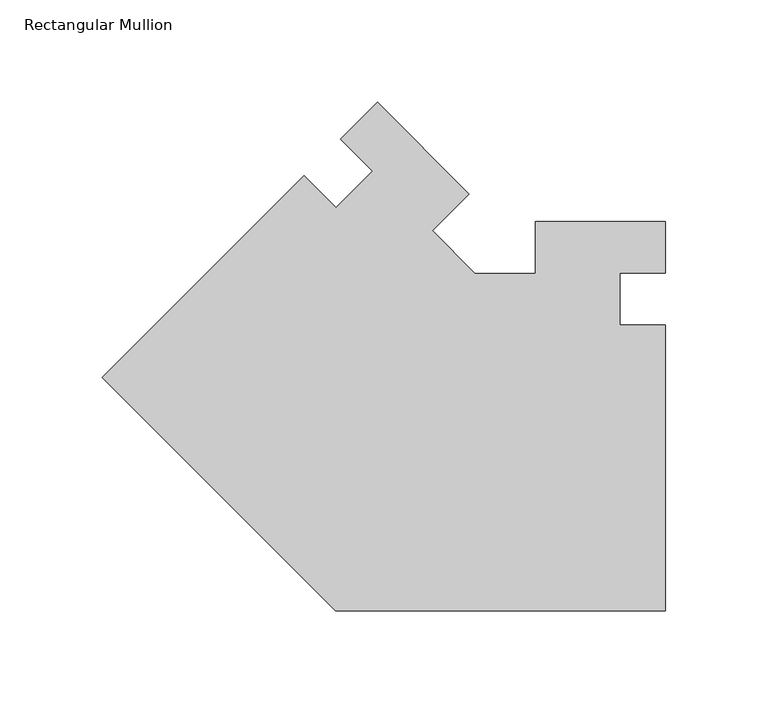
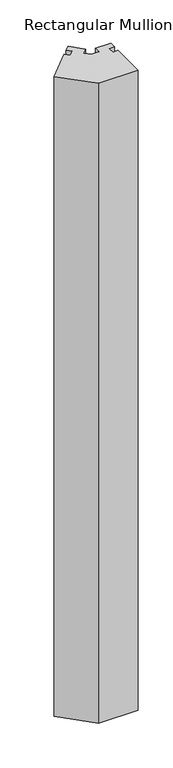
"""IFC4 building model written with IfcOpenShell, lengths in millimetres: member geometry, Rectangular Mullion."""

from ifc_helpers import new_model, si_unit, frame, origin, place, context, project, spatial, polyline, outline, extrude, source, transform, mapped, element, save


def rectangular_mullion_c8d6c163(model_context):
    return source(origin(), model_context, "Body", "SweptSolid", [
        extrude(outline(polyline([(-161.4576532, -248.7014798), (-275.6254914, -134.5336416), (-176.8426853, -35.7508355), (-161.1273172, -51.4662037), (-143.1929646, -33.5318511), (-158.9083327, -17.8164829), (-140.9216648, 0.170185), (-96.0203842, -44.7310956), (-113.9808964, -62.6916079), (-93.0710245, -83.6014798), (-63.5, -83.6014798), (-63.5, -58.2014742), (0.0, -58.2014742), (0.0, -83.590606), (-22.2248868, -83.590606), (-22.2248868, -109.0014742), (0.0, -109.0014742), (0.0, -248.7014798), (-161.4576532, -248.7014798)])), frame((0.0, 0.0, -2743.2), z_axis=(0.0, 0.0, 1.0), x_axis=(1.0, 0.0, 0.0)), (0.0, 0.0, 1.0), 2743.2),
    ])


if __name__ == "__main__":
    model = new_model("IFC4")
    model_context = context("Model", 3, world=origin())
    ifc_project = project(units=[si_unit("LENGTHUNIT", "METRE", prefix="MILLI")], contexts=[model_context])
    site = spatial("IfcSite", under=ifc_project)
    building = spatial("IfcBuilding", under=site)
    placement = place(None, origin())
    rectangular_mullion_shape = rectangular_mullion_c8d6c163(model_context)
    element("IfcMember", 1, ObjectType="Rectangular Mullion", at=placement, inside=building, context=model_context, shape_type="MappedRepresentation", body=[
        mapped(rectangular_mullion_shape, transform((0.0, 0.0, 0.0), x_axis=(1.0, 0.0, 0.0), y_axis=(0.0, 1.0, 0.0), z_axis=(0.0, 0.0, 1.0))),
    ])
    save(model, "model.ifc")
